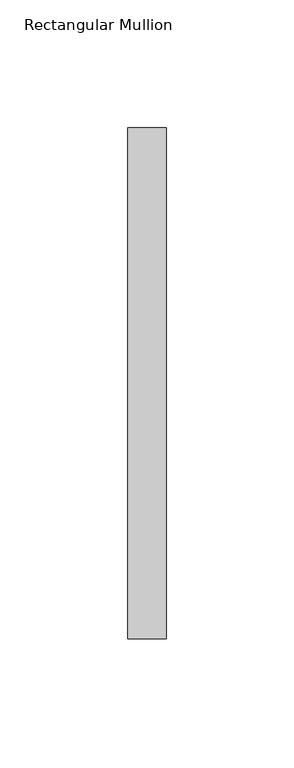
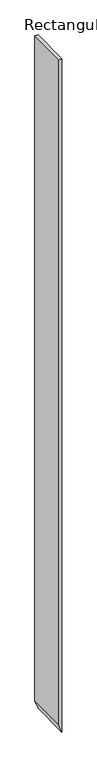
"""IFC4 building model written with IfcOpenShell, lengths in millimetres: member geometry, Rectangular Mullion."""

from ifc_helpers import new_model, si_unit, frame, origin, place, context, project, spatial, polyline, outline, extrude, source, transform, mapped, element, save


def rectangular_mullion_281c812c(model_context):
    return source(origin(), model_context, "Body", "SweptSolid", [
        extrude(outline(polyline([(0.0, 0.0), (0.0, -15.0), (-3388.460977, -15.0), (-3431.7019674, 0.0), (0.0, 0.0)])), frame((0.0, -253.0, 0.0), z_axis=(0.0, 1.0, 0.0), x_axis=(0.0, 0.0, 1.0)), (0.0, 0.0, 1.0), 200.0),
    ])


if __name__ == "__main__":
    model = new_model("IFC4")
    model_context = context("Model", 3, world=origin())
    ifc_project = project(units=[si_unit("LENGTHUNIT", "METRE", prefix="MILLI")], contexts=[model_context])
    site = spatial("IfcSite", under=ifc_project)
    building = spatial("IfcBuilding", under=site)
    placement = place(None, origin())
    rectangular_mullion_shape = rectangular_mullion_281c812c(model_context)
    element("IfcMember", 1, ObjectType="Rectangular Mullion", at=placement, inside=building, context=model_context, shape_type="MappedRepresentation", body=[
        mapped(rectangular_mullion_shape, transform((0.0, 0.0, 0.0), x_axis=(1.0, 0.0, 0.0), y_axis=(0.0, 1.0, 0.0), z_axis=(0.0, 0.0, 1.0))),
    ])
    save(model, "model.ifc")
